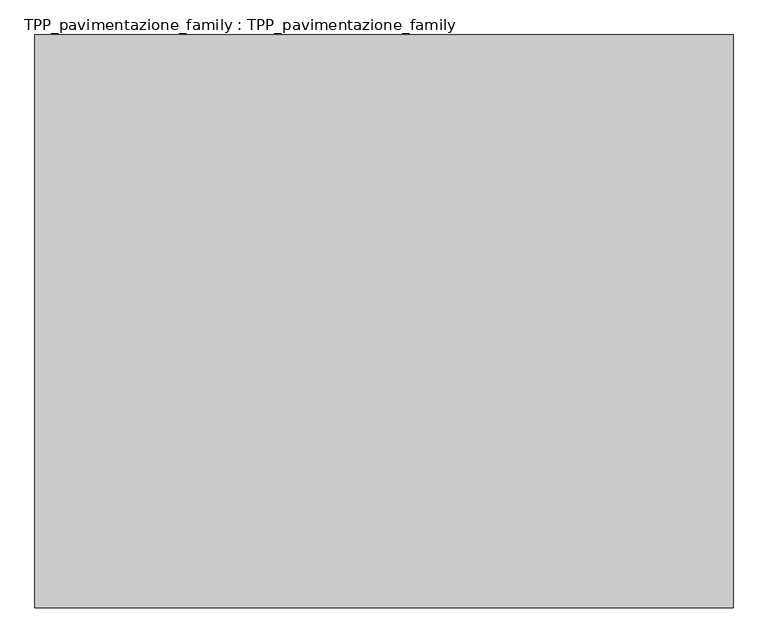
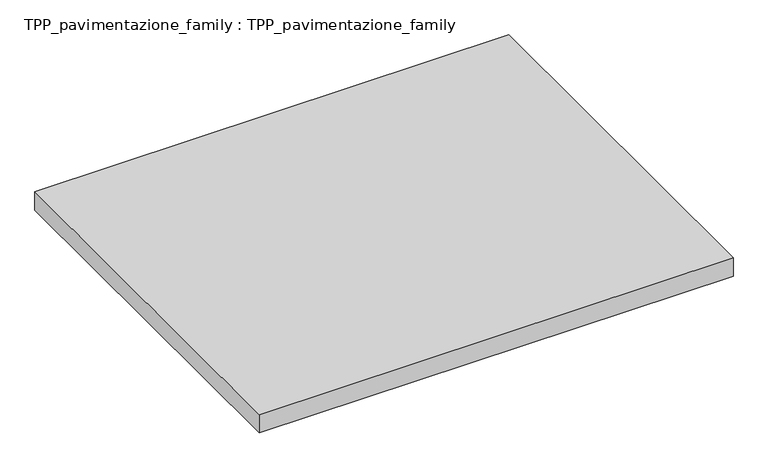
"""IFC4 building model written with IfcOpenShell, lengths in millimetres: proxy geometry, TPP_pavimentazione_family : TPP_pavimentazione_family."""

from ifc_helpers import new_model, si_unit, origin, origin_with_axes, place, context, project, spatial, polyline, outline, extrude, source, transform, mapped, element, save


def tpp_pavimentazione_family_tpp_pavimentazione_family_e778079b(model_context):
    return source(origin(), model_context, "Body", "SweptSolid", [
        extrude(outline(polyline([(511.8146187, 354.2201026), (511.8146187, -654.2440716), (-717.4846081, -654.2440716), (-717.4846081, 354.2201026), (511.8146187, 354.2201026)])), origin_with_axes(), (0.0, 0.0, 1.0), 50.0),
    ])


if __name__ == "__main__":
    model = new_model("IFC4")
    model_context = context("Model", 3, world=origin())
    ifc_project = project(units=[si_unit("LENGTHUNIT", "METRE", prefix="MILLI")], contexts=[model_context])
    site = spatial("IfcSite", under=ifc_project)
    building = spatial("IfcBuilding", under=site)
    placement = place(None, origin())
    tpp_pavimentazione_family_tpp_pavimentazione_family_shape = tpp_pavimentazione_family_tpp_pavimentazione_family_e778079b(model_context)
    element("IfcBuildingElementProxy", 1, Name="TPP_pavimentazione_family : TPP_pavimentazione_family", ObjectType="TPP_pavimentazione_family : TPP_pavimentazione_family", at=placement, inside=building, context=model_context, shape_type="MappedRepresentation", body=[
        mapped(tpp_pavimentazione_family_tpp_pavimentazione_family_shape, transform((0.0, 0.0, 0.0), x_axis=(1.0, 0.0, 0.0), y_axis=(0.0, 1.0, 0.0), z_axis=(0.0, 0.0, 1.0))),
    ])
    save(model, "model.ifc")
